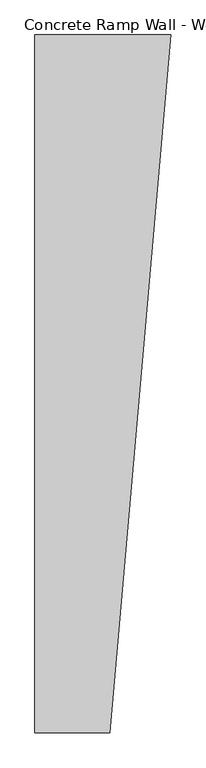
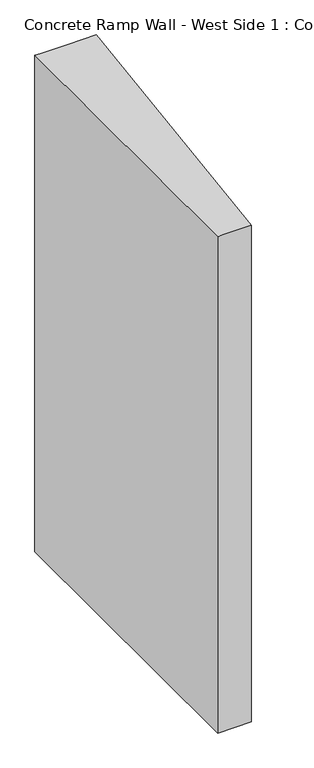
"""IFC4 building model written with IfcOpenShell, lengths in millimetres: beam geometry, Concrete Ramp Wall - West Side 1 : Concrete Ramp Wall - West Side 1."""

from ifc_helpers import new_model, si_unit, origin, place, context, project, spatial, faceted_brep, source, transform, mapped, element, save


def concrete_ramp_wall_west_side_1_concrete_ramp_wall_west_side_9fed4d0e(model_context):
    return source(origin(), model_context, "Body", "Brep", [
        faceted_brep([(222046.1491692, 203725.1978642, 2090.0), (222096.1491692, 203725.1978642, 2090.0), (222296.1491692, 203725.1978642, 2090.0), (222500.7006691, 206063.2322067, 2090.0), (222296.1491692, 206063.2322067, 2090.0), (222096.1491692, 206063.2322067, 2090.0), (222046.1491692, 206063.2322067, 2090.0), (222046.1491692, 203725.1978642, -1789.121225), (222046.1491692, 206063.2322067, -1789.121225), (222296.1491692, 206063.2322067, -1789.121225), (222500.7006691, 206063.2322067, -1789.121225), (222435.6909764, 205320.1680185, -1789.121225), (222296.1491692, 203725.1978642, -1789.121225), (222046.1491692, 206063.2322067, -625.0), (222046.1491692, 206063.2322067, -1425.0), (222046.1491692, 203725.1978642, -1425.0), (222046.1491692, 203725.1978642, -643.7037845), (222046.1491692, 203725.1978642, -625.0), (222296.1491692, 203725.1978642, -625.0), (222296.1491692, 203725.1978642, -1425.0), (222500.7006691, 206063.2322067, -1688.7960377), (222500.7006691, 206063.2322067, -1425.0)], [[[0, 1, 2, 3, 4, 5, 6]], [[7, 8, 9, 10, 11, 12]], [[0, 6, 13, 14, 8, 7, 15, 16, 17]], [[3, 2, 18, 19, 12, 11, 10, 20, 21]], [[6, 5, 4, 3, 21, 20, 10, 9, 8, 14, 13]], [[2, 1, 0, 17, 16, 15, 7, 12, 19, 18]]]),
    ])


if __name__ == "__main__":
    model = new_model("IFC4")
    model_context = context("Model", 3, world=origin())
    ifc_project = project(units=[si_unit("LENGTHUNIT", "METRE", prefix="MILLI")], contexts=[model_context])
    site = spatial("IfcSite", under=ifc_project)
    building = spatial("IfcBuilding", under=site)
    placement = place(None, origin())
    concrete_ramp_wall_west_side_1_concrete_ramp_wall_west_side_shape = concrete_ramp_wall_west_side_1_concrete_ramp_wall_west_side_9fed4d0e(model_context)
    element("IfcBeam", 1, ObjectType="Concrete Ramp Wall - West Side 1 : Concrete Ramp Wall - West Side 1", at=placement, inside=building, context=model_context, shape_type="MappedRepresentation", body=[
        mapped(concrete_ramp_wall_west_side_1_concrete_ramp_wall_west_side_shape, transform((0.0, 0.0, 0.0), x_axis=(1.0, 0.0, 0.0), y_axis=(0.0, 1.0, 0.0), z_axis=(0.0, 0.0, 1.0))),
    ])
    save(model, "model.ifc")
